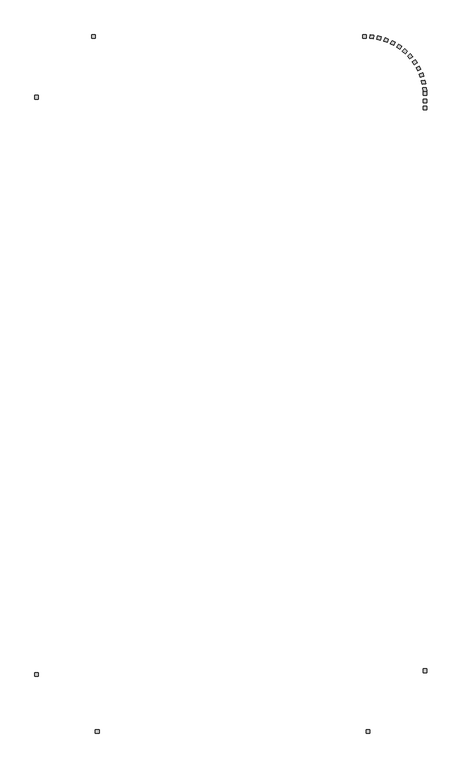
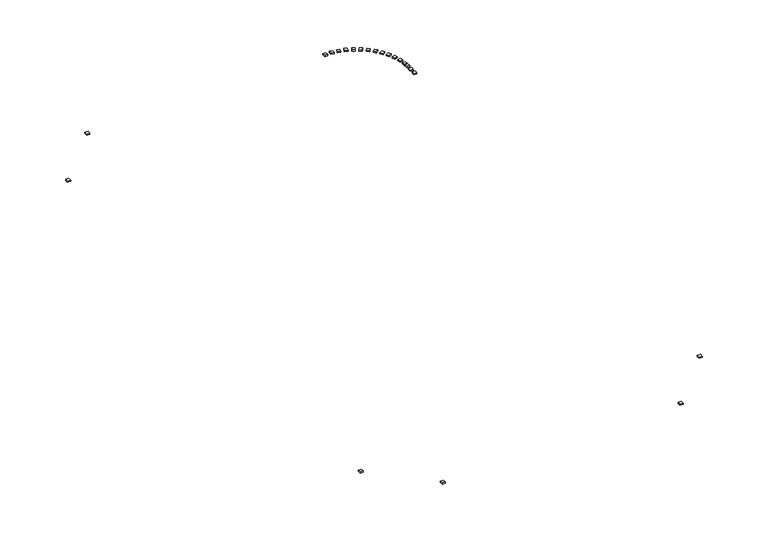
"""IFC4 building model written with IfcOpenShell, lengths in millimetres: railing geometry."""

import ifcopenshell
import ifcopenshell.guid

model = None  # the IFC model being written
_history = None  # IfcOwnerHistory: only IFC2X3 demands one
_inside = {}  # id of a spatial element -> (the spatial element, [elements in it])
_under = {}  # id of a project, library or spatial element -> (it, [spatial elements below it])
_declared = {}  # id of a project -> (the project, [libraries it declares])
_typed = {}  # id of a type object -> (the type object, [elements of that type])
_made_of = {}  # id of a material, layer set ... -> (it, [elements and type objects made of it])


def new_model(schema):
    """Start an empty IFC model of exactly this schema.

    Asked for "IFC4X3", IfcOpenShell would pick the latest addendum, in which some entities
    have other attributes; the version numbers below select the first issue.
    IFC2X3 requires an IfcOwnerHistory on every rooted entity: one is made here for all.
    """
    global model, _history
    if schema == "IFC4X3":
        model = ifcopenshell.file(schema_version=(4, 3, 0, 0))
    else:
        model = ifcopenshell.file(schema=schema)
    _inside.clear()
    _under.clear()
    _declared.clear()
    _typed.clear()
    _made_of.clear()
    _history = None
    if model.schema == "IFC2X3":
        org = make("IfcOrganization", Name="unknown")
        user = make(
            "IfcPersonAndOrganization",
            ThePerson=make("IfcPerson", FamilyName="unknown"),
            TheOrganization=org,
        )
        app = make(
            "IfcApplication",
            ApplicationDeveloper=org,
            Version="unknown",
            ApplicationFullName="unknown",
            ApplicationIdentifier="unknown",
        )
        _history = make(
            "IfcOwnerHistory",
            OwningUser=user,
            OwningApplication=app,
            ChangeAction="ADDED",
            CreationDate=0,
        )
    return model


def make(cls, **values):
    """One entity of the class cls with the attributes given. An attribute that is None is left unset."""
    return model.create_entity(
        cls, **{name: value for name, value in values.items() if value is not None}
    )


def rooted(cls, **values):
    """An entity with a GlobalId (a new one), such as an element, a storey or a relation."""
    return make(cls, GlobalId=ifcopenshell.guid.new(), OwnerHistory=_history, **values)


def si_unit(unit_type, name, prefix=None):
    """IfcSIUnit, for example si_unit("LENGTHUNIT", "METRE", prefix="MILLI")."""
    return make("IfcSIUnit", UnitType=unit_type, Prefix=prefix, Name=name)


def assignment(units):
    """IfcUnitAssignment: the units of a project."""
    return None if units is None else make("IfcUnitAssignment", Units=units)


def point(xyz):
    """IfcCartesianPoint."""
    return None if xyz is None else make("IfcCartesianPoint", Coordinates=xyz)


def direction(xyz):
    """IfcDirection."""
    return None if xyz is None else make("IfcDirection", DirectionRatios=xyz)


def frame(location, z_axis=None, x_axis=None):
    """IfcAxis2Placement3D, a coordinate frame: its origin and axes. An axis left out is left unset."""
    return make(
        "IfcAxis2Placement3D",
        Location=point(location),
        Axis=direction(z_axis),
        RefDirection=direction(x_axis),
    )


def origin():
    """The frame at (0, 0, 0) with its axes left unset."""
    return frame((0.0, 0.0, 0.0))


def origin_with_axes():
    """The frame at (0, 0, 0) with the z axis (0, 0, 1) and the x axis (1, 0, 0) written out."""
    return frame((0.0, 0.0, 0.0), z_axis=(0.0, 0.0, 1.0), x_axis=(1.0, 0.0, 0.0))


def place(relative_to, where):
    """IfcLocalPlacement: puts the frame where relative to a parent placement (None: the world)."""
    return make(
        "IfcLocalPlacement", PlacementRelTo=relative_to, RelativePlacement=where
    )


def context(
    kind, dimensions, precision=None, world=None, true_north=None, identifier=None
):
    """IfcGeometricRepresentationContext, for example the 3D "Model" context."""
    return make(
        "IfcGeometricRepresentationContext",
        ContextIdentifier=identifier,
        ContextType=kind,
        CoordinateSpaceDimension=dimensions,
        Precision=precision,
        WorldCoordinateSystem=world,
        TrueNorth=true_north,
    )


def project(units=None, contexts=None):
    """IfcProject with its units and contexts."""
    return rooted(
        "IfcProject",
        Name="project",
        RepresentationContexts=contexts,
        UnitsInContext=assignment(units),
    )


def spatial(cls, under=None, at=None, **own):
    """A site, building, storey or space (cls), placed at a placement, below another one or the project."""
    s = rooted(cls, ObjectPlacement=at, **own)
    if under is not None:
        _under.setdefault(under.id(), (under, []))[1].append(s)
    return s


def polyline(points):
    """IfcPolyline through the points."""
    return make("IfcPolyline", Points=[point(p) for p in points])


def outline(outer, holes=None, kind="AREA"):
    """IfcArbitraryClosedProfileDef: a profile drawn as a closed curve; with holes, ...WithVoids."""
    if holes is None:
        return make("IfcArbitraryClosedProfileDef", ProfileType=kind, OuterCurve=outer)
    return make(
        "IfcArbitraryProfileDefWithVoids",
        ProfileType=kind,
        OuterCurve=outer,
        InnerCurves=holes,
    )


def extrude(swept, where, along, depth):
    """IfcExtrudedAreaSolid: the profile swept, set in the frame where, extruded along a direction by depth."""
    return make(
        "IfcExtrudedAreaSolid",
        SweptArea=swept,
        Position=where,
        ExtrudedDirection=direction(along),
        Depth=depth,
    )


def shape(context_of_items, identifier, shape_type, items):
    """IfcShapeRepresentation: the items that make up one representation, for example the "Body"."""
    return make(
        "IfcShapeRepresentation",
        ContextOfItems=context_of_items,
        RepresentationIdentifier=identifier,
        RepresentationType=shape_type,
        Items=items,
    )


def source(mapping_origin, context_of_items, identifier, shape_type, items):
    """IfcRepresentationMap: a shape defined once, which mapped items show again and again."""
    return make(
        "IfcRepresentationMap",
        MappingOrigin=mapping_origin,
        MappedRepresentation=shape(context_of_items, identifier, shape_type, items),
    )


def transform(
    local_origin,
    x_axis=None,
    y_axis=None,
    z_axis=None,
    scale=None,
    scale2=None,
    scale3=None,
    uniform=True,
):
    """IfcCartesianTransformationOperator3D, or its non-uniform kind. x_axis, y_axis, z_axis: its Axis1, 2, 3."""
    if uniform:
        return make(
            "IfcCartesianTransformationOperator3D",
            Axis1=direction(x_axis),
            Axis2=direction(y_axis),
            LocalOrigin=point(local_origin),
            Scale=scale,
            Axis3=direction(z_axis),
        )
    return make(
        "IfcCartesianTransformationOperator3DnonUniform",
        Axis1=direction(x_axis),
        Axis2=direction(y_axis),
        LocalOrigin=point(local_origin),
        Scale=scale,
        Axis3=direction(z_axis),
        Scale2=scale2,
        Scale3=scale3,
    )


def mapped(mapping_source, mapping_target):
    """IfcMappedItem: shows the shape of a source again, moved by a transform."""
    return make(
        "IfcMappedItem", MappingSource=mapping_source, MappingTarget=mapping_target
    )


def made_of(thing, what):
    """Note that an element or type object is made of a material, layer set ...; save() writes the relation."""
    if what is not None:
        _made_of.setdefault(what.id(), (what, []))[1].append(thing)
    return thing


def element(
    cls,
    number,
    at=None,
    inside=None,
    cuts=None,
    type_object=None,
    material=None,
    context=None,
    identifier="Body",
    shape_type=None,
    held_by="IfcProductDefinitionShape",
    body=None,
    shapes=None,
    **own,
):
    """One element of the class cls, such as IfcWall. Its Tag is "e" and its number.

    at: its placement. inside: the storey or other place that contains it. cuts: it is an
    opening in that element (IfcRelVoidsElement). A single representation is given by context,
    identifier, shape_type and body (its items); several are given by shapes. held_by: the class
    of the entity that holds the representations. save() writes the other relations.
    """
    e = rooted(cls, Tag="e%d" % number, ObjectPlacement=at, **own)
    if body is not None:
        shapes = [shape(context, identifier, shape_type, body)]
    if shapes is not None:
        e.Representation = make(held_by, Representations=shapes)
    if inside is not None:
        _inside.setdefault(inside.id(), (inside, []))[1].append(e)
    if cuts is not None:
        rooted(
            "IfcRelVoidsElement", RelatingBuildingElement=cuts, RelatedOpeningElement=e
        )
    if type_object is not None:
        _typed.setdefault(type_object.id(), (type_object, []))[1].append(e)
    return made_of(e, material)


def aggregate(whole, parts):
    """IfcRelAggregates: a whole, such as a stair, and the parts it consists of."""
    return rooted("IfcRelAggregates", RelatingObject=whole, RelatedObjects=parts)


def save(model, path):
    """Write the relations noted so far, then the file.

    IfcRelAggregates (storeys below a building ...), IfcRelContainedInSpatialStructure (elements
    in a storey), IfcRelDefinesByType, IfcRelAssociatesMaterial and IfcRelDeclares: one each for
    every whole, place, type object, material and project.
    """
    for whole, parts in _under.values():
        aggregate(whole, parts)
    for where, things in _inside.values():
        rooted(
            "IfcRelContainedInSpatialStructure",
            RelatedElements=things,
            RelatingStructure=where,
        )
    for kind, things in _typed.values():
        rooted("IfcRelDefinesByType", RelatedObjects=things, RelatingType=kind)
    for what, things in _made_of.values():
        rooted("IfcRelAssociatesMaterial", RelatedObjects=things, RelatingMaterial=what)
    for by, libraries in _declared.values():
        rooted("IfcRelDeclares", RelatingContext=by, RelatedDefinitions=libraries)
    model.write(path)


def railing_e0509f63(model_context):
    return source(origin(), model_context, "Body", "SweptSolid", [
        extrude(outline(polyline([(-23131.1414863, -160954.0566268), (-23631.1414863, -160954.0566268), (-23631.1414863, -160454.0566268), (-23131.1414863, -160454.0566268), (-23131.1414863, -160954.0566268)])), origin_with_axes(), (0.0, 0.0, 1.0), 200.0),
        extrude(outline(polyline([(-23131.1414863, -159954.0566268), (-23631.1414863, -159954.0566268), (-23631.1414863, -159454.0566268), (-23131.1414863, -159454.0566268), (-23131.1414863, -159954.0566268)])), origin_with_axes(), (0.0, 0.0, 1.0), 200.0),
        extrude(outline(polyline([(-23152.4341001, -158352.7904126), (-23651.1815934, -158388.1590134), (-23686.5501943, -157889.4115201), (-23187.802701, -157854.0429193), (-23152.4341001, -158352.7904126)])), origin_with_axes(), (0.0, 0.0, 1.0), 200.0),
        extrude(outline(polyline([(-23293.5505016, -157300.4011089), (-23783.9970301, -157397.6749629), (-23881.2708841, -156907.2284344), (-23390.8243556, -156809.9545804), (-23293.5505016, -157300.4011089)])), origin_with_axes(), (0.0, 0.0, 1.0), 200.0),
        extrude(outline(polyline([(-23564.7722217, -156273.8165464), (-24039.2645314, -156431.4777276), (-24196.9257126, -155956.9854179), (-23722.4334029, -155799.3242367), (-23564.7722217, -156273.8165464)])), origin_with_axes(), (0.0, 0.0, 1.0), 200.0),
        extrude(outline(polyline([(-23961.8669364, -155289.056234), (-24413.0007335, -155504.6444924), (-24628.5889919, -155053.5106953), (-24177.4551948, -154837.9224369), (-23961.8669364, -155289.056234)])), origin_with_axes(), (0.0, 0.0, 1.0), 200.0),
        extrude(outline(polyline([(-24478.6381154, -154361.4870269), (-24899.3736078, -154631.6381798), (-25169.5247607, -154210.9026874), (-24748.7892683, -153940.7515345), (-24478.6381154, -154361.4870269)])), origin_with_axes(), (0.0, 0.0, 1.0), 200.0),
        extrude(outline(polyline([(-25107.0217173, -153505.5833324), (-25490.7934684, -153826.0817615), (-25811.2918975, -153442.3100104), (-25427.5201463, -153121.8115813), (-25107.0217173, -153505.5833324)])), origin_with_axes(), (0.0, 0.0, 1.0), 200.0),
        extrude(outline(polyline([(-25837.2120261, -152734.7012414), (-26178.0314061, -153100.5456758), (-26543.8758405, -152759.7262958), (-26203.0564605, -152393.8818613), (-25837.2120261, -152734.7012414)])), origin_with_axes(), (0.0, 0.0, 1.0), 200.0),
        extrude(outline(polyline([(-26657.8146663, -152060.870111), (-26950.3633027, -152466.3516707), (-27355.8448625, -152173.8030343), (-27063.296226, -151768.3214745), (-26657.8146663, -152060.870111)])), origin_with_axes(), (0.0, 0.0, 1.0), 200.0),
        extrude(outline(polyline([(-27556.0244081, -151494.6048507), (-27795.7371774, -151933.3961317), (-28234.5284584, -151693.6833624), (-27994.8156891, -151254.8920814), (-27556.0244081, -151494.6048507)])), origin_with_axes(), (0.0, 0.0, 1.0), 200.0),
        extrude(outline(polyline([(-28517.824989, -151044.7418405), (-28700.9612536, -151509.9956515), (-29166.2150645, -151326.8593869), (-28983.0788, -150861.605576), (-28517.824989, -151044.7418405)])), origin_with_axes(), (0.0, 0.0, 1.0), 200.0),
        extrude(outline(polyline([(-29528.2078326, -150718.3010422), (-29651.9098122, -151202.7572531), (-30136.3660231, -151079.0552735), (-30012.6640435, -150594.5990626), (-29528.2078326, -150718.3010422)])), origin_with_axes(), (0.0, 0.0, 1.0), 200.0),
        extrude(outline(polyline([(-30571.4062525, -150520.3764553), (-30633.7436192, -151016.475289), (-31129.8424528, -150954.1379223), (-31067.5050861, -150458.0390886), (-30571.4062525, -150520.3764553)])), origin_with_axes(), (0.0, 0.0, 1.0), 200.0),
        extrude(outline(polyline([(-31631.1414863, -150454.0566268), (-31631.1414863, -150954.0566268), (-32131.1414863, -150954.0566268), (-32131.1414863, -150454.0566268), (-31631.1414863, -150454.0566268)])), origin_with_axes(), (0.0, 0.0, 1.0), 200.0),
        extrude(outline(polyline([(-69631.1414863, -150454.0566268), (-69631.1414863, -150954.0566268), (-70131.1414863, -150954.0566268), (-70131.1414863, -150454.0566268), (-69631.1414863, -150454.0566268)])), origin_with_axes(), (0.0, 0.0, 1.0), 200.0),
        extrude(outline(polyline([(-78131.1414863, -158954.0566268), (-77631.1414863, -158954.0566268), (-77631.1414863, -159454.0566268), (-78131.1414863, -159454.0566268), (-78131.1414863, -158954.0566268)])), origin_with_axes(), (0.0, 0.0, 1.0), 200.0),
        extrude(outline(polyline([(-78131.1414863, -239954.0566268), (-77631.1414863, -239954.0566268), (-77631.1414863, -240454.0566268), (-78131.1414863, -240454.0566268), (-78131.1414863, -239954.0566268)])), origin_with_axes(), (0.0, 0.0, 1.0), 200.0),
        extrude(outline(polyline([(-69631.1414863, -248454.0566268), (-69631.1414863, -247954.0566268), (-69131.1414863, -247954.0566268), (-69131.1414863, -248454.0566268), (-69631.1414863, -248454.0566268)])), origin_with_axes(), (0.0, 0.0, 1.0), 200.0),
        extrude(outline(polyline([(-31631.1414863, -248454.0566268), (-31631.1414863, -247954.0566268), (-31131.1414863, -247954.0566268), (-31131.1414863, -248454.0566268), (-31631.1414863, -248454.0566268)])), origin_with_axes(), (0.0, 0.0, 1.0), 200.0),
        extrude(outline(polyline([(-23131.1414863, -239954.0566268), (-23631.1414863, -239954.0566268), (-23631.1414863, -239454.0566268), (-23131.1414863, -239454.0566268), (-23131.1414863, -239954.0566268)])), origin_with_axes(), (0.0, 0.0, 1.0), 200.0),
        extrude(outline(polyline([(-23131.1414863, -158954.0566268), (-23631.1414863, -158954.0566268), (-23631.1414863, -158454.0566268), (-23131.1414863, -158454.0566268), (-23131.1414863, -158954.0566268)])), origin_with_axes(), (0.0, 0.0, 1.0), 200.0),
    ])


if __name__ == "__main__":
    model = new_model("IFC4")
    model_context = context("Model", 3, world=origin())
    ifc_project = project(units=[si_unit("LENGTHUNIT", "METRE", prefix="MILLI")], contexts=[model_context])
    site = spatial("IfcSite", under=ifc_project)
    building = spatial("IfcBuilding", under=site)
    placement = place(None, origin())
    railing_shape = railing_e0509f63(model_context)
    element("IfcRailing", 1, at=placement, inside=building, context=model_context, shape_type="MappedRepresentation", body=[
        mapped(railing_shape, transform((0.0, 0.0, 0.0), x_axis=(1.0, 0.0, 0.0), y_axis=(0.0, 1.0, 0.0), z_axis=(0.0, 0.0, 1.0))),
    ])
    save(model, "model.ifc")
